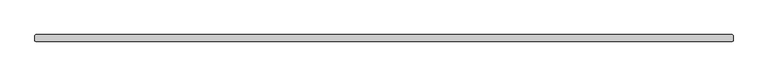
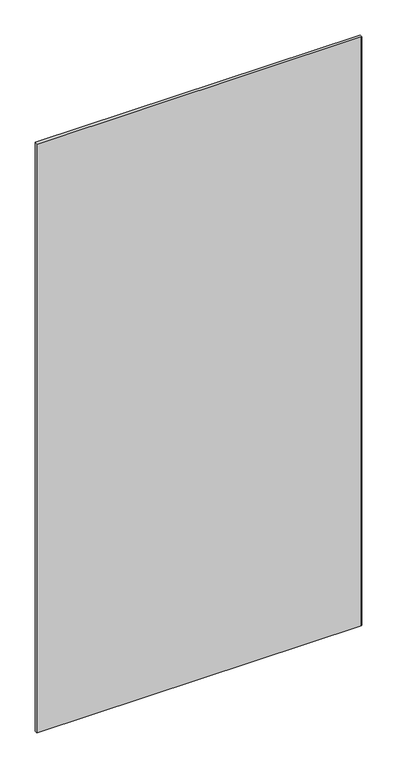
"""IFC4 building model written with IfcOpenShell, lengths in millimetres: plate geometry."""

from ifc_helpers import new_model, si_unit, origin, origin_with_axes, place, context, project, spatial, polyline, outline, extrude, source, transform, mapped, element, save


def plate_b4be925b(model_context):
    return source(origin(), model_context, "Body", "SweptSolid", [
        extrude(outline(polyline([(632.61875, -36.5125), (-632.61875, -36.5125), (-634.20625, -34.925), (-634.20625, -25.4), (-632.61875, -23.8125), (632.61875, -23.8125), (634.20625, -25.4), (634.20625, -34.925), (632.61875, -36.5125)])), origin_with_axes(), (0.0, 0.0, 1.0), 2428.7789267),
    ])


if __name__ == "__main__":
    model = new_model("IFC4")
    model_context = context("Model", 3, world=origin())
    ifc_project = project(units=[si_unit("LENGTHUNIT", "METRE", prefix="MILLI")], contexts=[model_context])
    site = spatial("IfcSite", under=ifc_project)
    building = spatial("IfcBuilding", under=site)
    placement = place(None, origin())
    plate_shape = plate_b4be925b(model_context)
    element("IfcPlate", 1, at=placement, inside=building, context=model_context, shape_type="MappedRepresentation", body=[
        mapped(plate_shape, transform((0.0, 0.0, 0.0), x_axis=(1.0, 0.0, 0.0), y_axis=(0.0, 1.0, 0.0), z_axis=(0.0, 0.0, 1.0))),
    ])
    save(model, "model.ifc")
